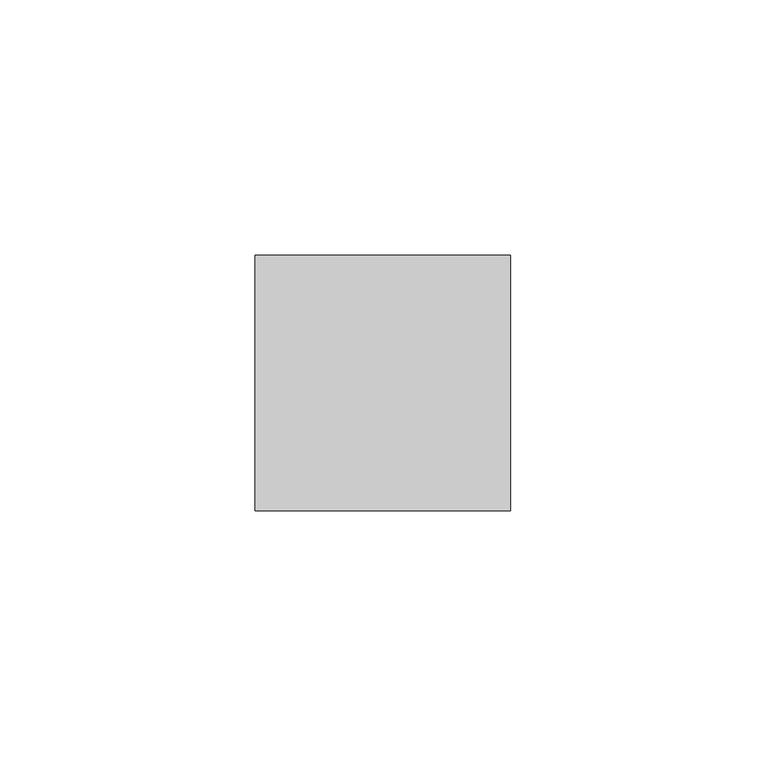
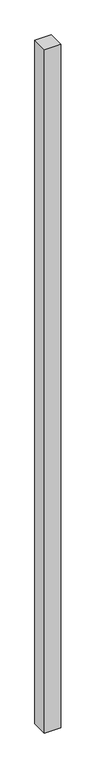
"""IFC4 building model written with IfcOpenShell, lengths in millimetres: member geometry."""

from ifc_helpers import new_model, si_unit, frame, origin, place, context, project, spatial, polyline, outline, extrude, source, transform, mapped, element, save


def member_c442516b(model_context):
    return source(origin(), model_context, "Body", "SweptSolid", [
        extrude(outline(polyline([(25.0, 25.0), (25.0, -25.0), (-25.0, -25.0), (-25.0, 25.0), (25.0, 25.0)])), frame((0.0, 0.0, -2200.0), z_axis=(0.0, 0.0, 1.0), x_axis=(1.0, 0.0, 0.0)), (0.0, 0.0, 1.0), 2200.0),
    ])


if __name__ == "__main__":
    model = new_model("IFC4")
    model_context = context("Model", 3, world=origin())
    ifc_project = project(units=[si_unit("LENGTHUNIT", "METRE", prefix="MILLI")], contexts=[model_context])
    site = spatial("IfcSite", under=ifc_project)
    building = spatial("IfcBuilding", under=site)
    placement = place(None, origin())
    member_shape = member_c442516b(model_context)
    element("IfcMember", 1, at=placement, inside=building, context=model_context, shape_type="MappedRepresentation", body=[
        mapped(member_shape, transform((0.0, 0.0, 0.0), x_axis=(1.0, 0.0, 0.0), y_axis=(0.0, 1.0, 0.0), z_axis=(0.0, 0.0, 1.0))),
    ])
    save(model, "model.ifc")
